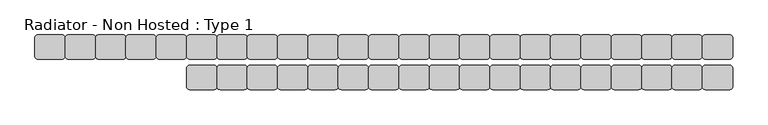
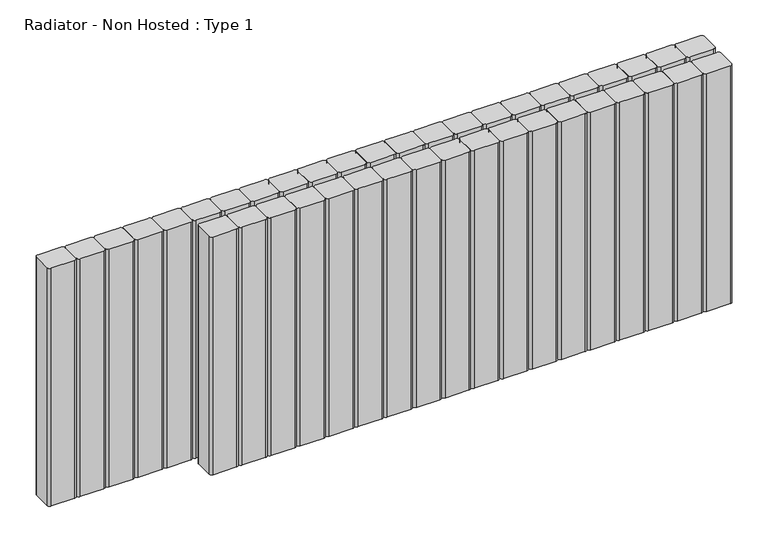
"""IFC4 building model written with IfcOpenShell, lengths in millimetres: proxy geometry, Radiator - Non Hosted : Type 1."""

from ifc_helpers import new_model, si_unit, point, frame, frame_2d, origin, place, context, project, spatial, polyline, circle_curve, trimmed, segment, composite_curve, outline, extrude, source, transform, mapped, element, save


def radiator_non_hosted_type_1_5bd8a2b4(model_context):
    return source(origin(), model_context, "Body", "SweptSolid", [
        extrude(outline(composite_curve([segment(trimmed(circle_curve(frame_2d((1495.0, 115.0)), 5.0), [point((1495.0, 120.0))], [point((1500.0, 115.0))], False, "CARTESIAN"), True, "CONTINUOUS"), segment(polyline([(1500.0, 115.0), (1500.0, 85.0)]), True, "CONTINUOUS"), segment(trimmed(circle_curve(frame_2d((1495.0, 85.0)), 5.0), [point((1500.0, 85.0))], [point((1495.0, 80.0))], False, "CARTESIAN"), True, "CONTINUOUS"), segment(polyline([(1495.0, 80.0), (1455.0, 80.0)]), True, "CONTINUOUS"), segment(trimmed(circle_curve(frame_2d((1455.0, 85.0)), 5.0), [point((1455.0, 80.0))], [point((1450.0, 85.0))], False, "CARTESIAN"), True, "CONTINUOUS"), segment(polyline([(1450.0, 85.0), (1450.0, 115.0)]), True, "CONTINUOUS"), segment(trimmed(circle_curve(frame_2d((1455.0, 115.0)), 5.0), [point((1450.0, 115.0))], [point((1455.0, 120.0))], False, "CARTESIAN"), True, "CONTINUOUS"), segment(polyline([(1455.0, 120.0), (1495.0, 120.0)]), True, "CONTINUOUS")], self_intersect=False)), frame((0.0, 0.0, 100.0), z_axis=(0.0, 0.0, 1.0), x_axis=(1.0, 0.0, 0.0)), (0.0, 0.0, 1.0), 433.1772759),
        extrude(outline(composite_curve([segment(trimmed(circle_curve(frame_2d((1445.0, 115.0)), 5.0), [point((1445.0, 120.0))], [point((1450.0, 115.0))], False, "CARTESIAN"), True, "CONTINUOUS"), segment(polyline([(1450.0, 115.0), (1450.0, 85.0)]), True, "CONTINUOUS"), segment(trimmed(circle_curve(frame_2d((1445.0, 85.0)), 5.0), [point((1450.0, 85.0))], [point((1445.0, 80.0))], False, "CARTESIAN"), True, "CONTINUOUS"), segment(polyline([(1445.0, 80.0), (1405.0, 80.0)]), True, "CONTINUOUS"), segment(trimmed(circle_curve(frame_2d((1405.0, 85.0)), 5.0), [point((1405.0, 80.0))], [point((1400.0, 85.0))], False, "CARTESIAN"), True, "CONTINUOUS"), segment(polyline([(1400.0, 85.0), (1400.0, 115.0)]), True, "CONTINUOUS"), segment(trimmed(circle_curve(frame_2d((1405.0, 115.0)), 5.0), [point((1400.0, 115.0))], [point((1405.0, 120.0))], False, "CARTESIAN"), True, "CONTINUOUS"), segment(polyline([(1405.0, 120.0), (1445.0, 120.0)]), True, "CONTINUOUS")], self_intersect=False)), frame((0.0, 0.0, 100.0), z_axis=(0.0, 0.0, 1.0), x_axis=(1.0, 0.0, 0.0)), (0.0, 0.0, 1.0), 433.1772759),
        extrude(outline(composite_curve([segment(trimmed(circle_curve(frame_2d((1395.0, 115.0)), 5.0), [point((1395.0, 120.0))], [point((1400.0, 115.0))], False, "CARTESIAN"), True, "CONTINUOUS"), segment(polyline([(1400.0, 115.0), (1400.0, 85.0)]), True, "CONTINUOUS"), segment(trimmed(circle_curve(frame_2d((1395.0, 85.0)), 5.0), [point((1400.0, 85.0))], [point((1395.0, 80.0))], False, "CARTESIAN"), True, "CONTINUOUS"), segment(polyline([(1395.0, 80.0), (1355.0, 80.0)]), True, "CONTINUOUS"), segment(trimmed(circle_curve(frame_2d((1355.0, 85.0)), 5.0), [point((1355.0, 80.0))], [point((1350.0, 85.0))], False, "CARTESIAN"), True, "CONTINUOUS"), segment(polyline([(1350.0, 85.0), (1350.0, 115.0)]), True, "CONTINUOUS"), segment(trimmed(circle_curve(frame_2d((1355.0, 115.0)), 5.0), [point((1350.0, 115.0))], [point((1355.0, 120.0))], False, "CARTESIAN"), True, "CONTINUOUS"), segment(polyline([(1355.0, 120.0), (1395.0, 120.0)]), True, "CONTINUOUS")], self_intersect=False)), frame((0.0, 0.0, 100.0), z_axis=(0.0, 0.0, 1.0), x_axis=(1.0, 0.0, 0.0)), (0.0, 0.0, 1.0), 433.1772759),
        extrude(outline(composite_curve([segment(trimmed(circle_curve(frame_2d((1345.0, 115.0)), 5.0), [point((1345.0, 120.0))], [point((1350.0, 115.0))], False, "CARTESIAN"), True, "CONTINUOUS"), segment(polyline([(1350.0, 115.0), (1350.0, 85.0)]), True, "CONTINUOUS"), segment(trimmed(circle_curve(frame_2d((1345.0, 85.0)), 5.0), [point((1350.0, 85.0))], [point((1345.0, 80.0))], False, "CARTESIAN"), True, "CONTINUOUS"), segment(polyline([(1345.0, 80.0), (1305.0, 80.0)]), True, "CONTINUOUS"), segment(trimmed(circle_curve(frame_2d((1305.0, 85.0)), 5.0), [point((1305.0, 80.0))], [point((1300.0, 85.0))], False, "CARTESIAN"), True, "CONTINUOUS"), segment(polyline([(1300.0, 85.0), (1300.0, 115.0)]), True, "CONTINUOUS"), segment(trimmed(circle_curve(frame_2d((1305.0, 115.0)), 5.0), [point((1300.0, 115.0))], [point((1305.0, 120.0))], False, "CARTESIAN"), True, "CONTINUOUS"), segment(polyline([(1305.0, 120.0), (1345.0, 120.0)]), True, "CONTINUOUS")], self_intersect=False)), frame((0.0, 0.0, 100.0), z_axis=(0.0, 0.0, 1.0), x_axis=(1.0, 0.0, 0.0)), (0.0, 0.0, 1.0), 433.1772759),
        extrude(outline(composite_curve([segment(trimmed(circle_curve(frame_2d((1295.0, 115.0)), 5.0), [point((1295.0, 120.0))], [point((1300.0, 115.0))], False, "CARTESIAN"), True, "CONTINUOUS"), segment(polyline([(1300.0, 115.0), (1300.0, 85.0)]), True, "CONTINUOUS"), segment(trimmed(circle_curve(frame_2d((1295.0, 85.0)), 5.0), [point((1300.0, 85.0))], [point((1295.0, 80.0))], False, "CARTESIAN"), True, "CONTINUOUS"), segment(polyline([(1295.0, 80.0), (1255.0, 80.0)]), True, "CONTINUOUS"), segment(trimmed(circle_curve(frame_2d((1255.0, 85.0)), 5.0), [point((1255.0, 80.0))], [point((1250.0, 85.0))], False, "CARTESIAN"), True, "CONTINUOUS"), segment(polyline([(1250.0, 85.0), (1250.0, 115.0)]), True, "CONTINUOUS"), segment(trimmed(circle_curve(frame_2d((1255.0, 115.0)), 5.0), [point((1250.0, 115.0))], [point((1255.0, 120.0))], False, "CARTESIAN"), True, "CONTINUOUS"), segment(polyline([(1255.0, 120.0), (1295.0, 120.0)]), True, "CONTINUOUS")], self_intersect=False)), frame((0.0, 0.0, 100.0), z_axis=(0.0, 0.0, 1.0), x_axis=(1.0, 0.0, 0.0)), (0.0, 0.0, 1.0), 433.1772759),
        extrude(outline(composite_curve([segment(trimmed(circle_curve(frame_2d((1245.0, 115.0)), 5.0), [point((1245.0, 120.0))], [point((1250.0, 115.0))], False, "CARTESIAN"), True, "CONTINUOUS"), segment(polyline([(1250.0, 115.0), (1250.0, 85.0)]), True, "CONTINUOUS"), segment(trimmed(circle_curve(frame_2d((1245.0, 85.0)), 5.0), [point((1250.0, 85.0))], [point((1245.0, 80.0))], False, "CARTESIAN"), True, "CONTINUOUS"), segment(polyline([(1245.0, 80.0), (1205.0, 80.0)]), True, "CONTINUOUS"), segment(trimmed(circle_curve(frame_2d((1205.0, 85.0)), 5.0), [point((1205.0, 80.0))], [point((1200.0, 85.0))], False, "CARTESIAN"), True, "CONTINUOUS"), segment(polyline([(1200.0, 85.0), (1200.0, 115.0)]), True, "CONTINUOUS"), segment(trimmed(circle_curve(frame_2d((1205.0, 115.0)), 5.0), [point((1200.0, 115.0))], [point((1205.0, 120.0))], False, "CARTESIAN"), True, "CONTINUOUS"), segment(polyline([(1205.0, 120.0), (1245.0, 120.0)]), True, "CONTINUOUS")], self_intersect=False)), frame((0.0, 0.0, 100.0), z_axis=(0.0, 0.0, 1.0), x_axis=(1.0, 0.0, 0.0)), (0.0, 0.0, 1.0), 433.1772759),
        extrude(outline(composite_curve([segment(trimmed(circle_curve(frame_2d((1195.0, 115.0)), 5.0), [point((1195.0, 120.0))], [point((1200.0, 115.0))], False, "CARTESIAN"), True, "CONTINUOUS"), segment(polyline([(1200.0, 115.0), (1200.0, 85.0)]), True, "CONTINUOUS"), segment(trimmed(circle_curve(frame_2d((1195.0, 85.0)), 5.0), [point((1200.0, 85.0))], [point((1195.0, 80.0))], False, "CARTESIAN"), True, "CONTINUOUS"), segment(polyline([(1195.0, 80.0), (1155.0, 80.0)]), True, "CONTINUOUS"), segment(trimmed(circle_curve(frame_2d((1155.0, 85.0)), 5.0), [point((1155.0, 80.0))], [point((1150.0, 85.0))], False, "CARTESIAN"), True, "CONTINUOUS"), segment(polyline([(1150.0, 85.0), (1150.0, 115.0)]), True, "CONTINUOUS"), segment(trimmed(circle_curve(frame_2d((1155.0, 115.0)), 5.0), [point((1150.0, 115.0))], [point((1155.0, 120.0))], False, "CARTESIAN"), True, "CONTINUOUS"), segment(polyline([(1155.0, 120.0), (1195.0, 120.0)]), True, "CONTINUOUS")], self_intersect=False)), frame((0.0, 0.0, 100.0), z_axis=(0.0, 0.0, 1.0), x_axis=(1.0, 0.0, 0.0)), (0.0, 0.0, 1.0), 433.1772759),
        extrude(outline(composite_curve([segment(trimmed(circle_curve(frame_2d((1145.0, 115.0)), 5.0), [point((1145.0, 120.0))], [point((1150.0, 115.0))], False, "CARTESIAN"), True, "CONTINUOUS"), segment(polyline([(1150.0, 115.0), (1150.0, 85.0)]), True, "CONTINUOUS"), segment(trimmed(circle_curve(frame_2d((1145.0, 85.0)), 5.0), [point((1150.0, 85.0))], [point((1145.0, 80.0))], False, "CARTESIAN"), True, "CONTINUOUS"), segment(polyline([(1145.0, 80.0), (1105.0, 80.0)]), True, "CONTINUOUS"), segment(trimmed(circle_curve(frame_2d((1105.0, 85.0)), 5.0), [point((1105.0, 80.0))], [point((1100.0, 85.0))], False, "CARTESIAN"), True, "CONTINUOUS"), segment(polyline([(1100.0, 85.0), (1100.0, 115.0)]), True, "CONTINUOUS"), segment(trimmed(circle_curve(frame_2d((1105.0, 115.0)), 5.0), [point((1100.0, 115.0))], [point((1105.0, 120.0))], False, "CARTESIAN"), True, "CONTINUOUS"), segment(polyline([(1105.0, 120.0), (1145.0, 120.0)]), True, "CONTINUOUS")], self_intersect=False)), frame((0.0, 0.0, 100.0), z_axis=(0.0, 0.0, 1.0), x_axis=(1.0, 0.0, 0.0)), (0.0, 0.0, 1.0), 433.1772759),
        extrude(outline(composite_curve([segment(trimmed(circle_curve(frame_2d((1095.0, 115.0)), 5.0), [point((1095.0, 120.0))], [point((1100.0, 115.0))], False, "CARTESIAN"), True, "CONTINUOUS"), segment(polyline([(1100.0, 115.0), (1100.0, 85.0)]), True, "CONTINUOUS"), segment(trimmed(circle_curve(frame_2d((1095.0, 85.0)), 5.0), [point((1100.0, 85.0))], [point((1095.0, 80.0))], False, "CARTESIAN"), True, "CONTINUOUS"), segment(polyline([(1095.0, 80.0), (1055.0, 80.0)]), True, "CONTINUOUS"), segment(trimmed(circle_curve(frame_2d((1055.0, 85.0)), 5.0), [point((1055.0, 80.0))], [point((1050.0, 85.0))], False, "CARTESIAN"), True, "CONTINUOUS"), segment(polyline([(1050.0, 85.0), (1050.0, 115.0)]), True, "CONTINUOUS"), segment(trimmed(circle_curve(frame_2d((1055.0, 115.0)), 5.0), [point((1050.0, 115.0))], [point((1055.0, 120.0))], False, "CARTESIAN"), True, "CONTINUOUS"), segment(polyline([(1055.0, 120.0), (1095.0, 120.0)]), True, "CONTINUOUS")], self_intersect=False)), frame((0.0, 0.0, 100.0), z_axis=(0.0, 0.0, 1.0), x_axis=(1.0, 0.0, 0.0)), (0.0, 0.0, 1.0), 433.1772759),
        extrude(outline(composite_curve([segment(trimmed(circle_curve(frame_2d((1045.0, 115.0)), 5.0), [point((1045.0, 120.0))], [point((1050.0, 115.0))], False, "CARTESIAN"), True, "CONTINUOUS"), segment(polyline([(1050.0, 115.0), (1050.0, 85.0)]), True, "CONTINUOUS"), segment(trimmed(circle_curve(frame_2d((1045.0, 85.0)), 5.0), [point((1050.0, 85.0))], [point((1045.0, 80.0))], False, "CARTESIAN"), True, "CONTINUOUS"), segment(polyline([(1045.0, 80.0), (1005.0, 80.0)]), True, "CONTINUOUS"), segment(trimmed(circle_curve(frame_2d((1005.0, 85.0)), 5.0), [point((1005.0, 80.0))], [point((1000.0, 85.0))], False, "CARTESIAN"), True, "CONTINUOUS"), segment(polyline([(1000.0, 85.0), (1000.0, 115.0)]), True, "CONTINUOUS"), segment(trimmed(circle_curve(frame_2d((1005.0, 115.0)), 5.0), [point((1000.0, 115.0))], [point((1005.0, 120.0))], False, "CARTESIAN"), True, "CONTINUOUS"), segment(polyline([(1005.0, 120.0), (1045.0, 120.0)]), True, "CONTINUOUS")], self_intersect=False)), frame((0.0, 0.0, 100.0), z_axis=(0.0, 0.0, 1.0), x_axis=(1.0, 0.0, 0.0)), (0.0, 0.0, 1.0), 433.1772759),
        extrude(outline(composite_curve([segment(trimmed(circle_curve(frame_2d((995.0, 115.0)), 5.0), [point((995.0, 120.0))], [point((1000.0, 115.0))], False, "CARTESIAN"), True, "CONTINUOUS"), segment(polyline([(1000.0, 115.0), (1000.0, 85.0)]), True, "CONTINUOUS"), segment(trimmed(circle_curve(frame_2d((995.0, 85.0)), 5.0), [point((1000.0, 85.0))], [point((995.0, 80.0))], False, "CARTESIAN"), True, "CONTINUOUS"), segment(polyline([(995.0, 80.0), (955.0, 80.0)]), True, "CONTINUOUS"), segment(trimmed(circle_curve(frame_2d((955.0, 85.0)), 5.0), [point((955.0, 80.0))], [point((950.0, 85.0))], False, "CARTESIAN"), True, "CONTINUOUS"), segment(polyline([(950.0, 85.0), (950.0, 115.0)]), True, "CONTINUOUS"), segment(trimmed(circle_curve(frame_2d((955.0, 115.0)), 5.0), [point((950.0, 115.0))], [point((955.0, 120.0))], False, "CARTESIAN"), True, "CONTINUOUS"), segment(polyline([(955.0, 120.0), (995.0, 120.0)]), True, "CONTINUOUS")], self_intersect=False)), frame((0.0, 0.0, 100.0), z_axis=(0.0, 0.0, 1.0), x_axis=(1.0, 0.0, 0.0)), (0.0, 0.0, 1.0), 433.1772759),
        extrude(outline(composite_curve([segment(trimmed(circle_curve(frame_2d((945.0, 115.0)), 5.0), [point((945.0, 120.0))], [point((950.0, 115.0))], False, "CARTESIAN"), True, "CONTINUOUS"), segment(polyline([(950.0, 115.0), (950.0, 85.0)]), True, "CONTINUOUS"), segment(trimmed(circle_curve(frame_2d((945.0, 85.0)), 5.0), [point((950.0, 85.0))], [point((945.0, 80.0))], False, "CARTESIAN"), True, "CONTINUOUS"), segment(polyline([(945.0, 80.0), (905.0, 80.0)]), True, "CONTINUOUS"), segment(trimmed(circle_curve(frame_2d((905.0, 85.0)), 5.0), [point((905.0, 80.0))], [point((900.0, 85.0))], False, "CARTESIAN"), True, "CONTINUOUS"), segment(polyline([(900.0, 85.0), (900.0, 115.0)]), True, "CONTINUOUS"), segment(trimmed(circle_curve(frame_2d((905.0, 115.0)), 5.0), [point((900.0, 115.0))], [point((905.0, 120.0))], False, "CARTESIAN"), True, "CONTINUOUS"), segment(polyline([(905.0, 120.0), (945.0, 120.0)]), True, "CONTINUOUS")], self_intersect=False)), frame((0.0, 0.0, 100.0), z_axis=(0.0, 0.0, 1.0), x_axis=(1.0, 0.0, 0.0)), (0.0, 0.0, 1.0), 433.1772759),
        extrude(outline(composite_curve([segment(trimmed(circle_curve(frame_2d((895.0, 115.0)), 5.0), [point((895.0, 120.0))], [point((900.0, 115.0))], False, "CARTESIAN"), True, "CONTINUOUS"), segment(polyline([(900.0, 115.0), (900.0, 85.0)]), True, "CONTINUOUS"), segment(trimmed(circle_curve(frame_2d((895.0, 85.0)), 5.0), [point((900.0, 85.0))], [point((895.0, 80.0))], False, "CARTESIAN"), True, "CONTINUOUS"), segment(polyline([(895.0, 80.0), (855.0, 80.0)]), True, "CONTINUOUS"), segment(trimmed(circle_curve(frame_2d((855.0, 85.0)), 5.0), [point((855.0, 80.0))], [point((850.0, 85.0))], False, "CARTESIAN"), True, "CONTINUOUS"), segment(polyline([(850.0, 85.0), (850.0, 115.0)]), True, "CONTINUOUS"), segment(trimmed(circle_curve(frame_2d((855.0, 115.0)), 5.0), [point((850.0, 115.0))], [point((855.0, 120.0))], False, "CARTESIAN"), True, "CONTINUOUS"), segment(polyline([(855.0, 120.0), (895.0, 120.0)]), True, "CONTINUOUS")], self_intersect=False)), frame((0.0, 0.0, 100.0), z_axis=(0.0, 0.0, 1.0), x_axis=(1.0, 0.0, 0.0)), (0.0, 0.0, 1.0), 433.1772759),
        extrude(outline(composite_curve([segment(trimmed(circle_curve(frame_2d((845.0, 115.0)), 5.0), [point((845.0, 120.0))], [point((850.0, 115.0))], False, "CARTESIAN"), True, "CONTINUOUS"), segment(polyline([(850.0, 115.0), (850.0, 85.0)]), True, "CONTINUOUS"), segment(trimmed(circle_curve(frame_2d((845.0, 85.0)), 5.0), [point((850.0, 85.0))], [point((845.0, 80.0))], False, "CARTESIAN"), True, "CONTINUOUS"), segment(polyline([(845.0, 80.0), (805.0, 80.0)]), True, "CONTINUOUS"), segment(trimmed(circle_curve(frame_2d((805.0, 85.0)), 5.0), [point((805.0, 80.0))], [point((800.0, 85.0))], False, "CARTESIAN"), True, "CONTINUOUS"), segment(polyline([(800.0, 85.0), (800.0, 115.0)]), True, "CONTINUOUS"), segment(trimmed(circle_curve(frame_2d((805.0, 115.0)), 5.0), [point((800.0, 115.0))], [point((805.0, 120.0))], False, "CARTESIAN"), True, "CONTINUOUS"), segment(polyline([(805.0, 120.0), (845.0, 120.0)]), True, "CONTINUOUS")], self_intersect=False)), frame((0.0, 0.0, 100.0), z_axis=(0.0, 0.0, 1.0), x_axis=(1.0, 0.0, 0.0)), (0.0, 0.0, 1.0), 433.1772759),
        extrude(outline(composite_curve([segment(trimmed(circle_curve(frame_2d((795.0, 115.0)), 5.0), [point((795.0, 120.0))], [point((800.0, 115.0))], False, "CARTESIAN"), True, "CONTINUOUS"), segment(polyline([(800.0, 115.0), (800.0, 85.0)]), True, "CONTINUOUS"), segment(trimmed(circle_curve(frame_2d((795.0, 85.0)), 5.0), [point((800.0, 85.0))], [point((795.0, 80.0))], False, "CARTESIAN"), True, "CONTINUOUS"), segment(polyline([(795.0, 80.0), (755.0, 80.0)]), True, "CONTINUOUS"), segment(trimmed(circle_curve(frame_2d((755.0, 85.0)), 5.0), [point((755.0, 80.0))], [point((750.0, 85.0))], False, "CARTESIAN"), True, "CONTINUOUS"), segment(polyline([(750.0, 85.0), (750.0, 115.0)]), True, "CONTINUOUS"), segment(trimmed(circle_curve(frame_2d((755.0, 115.0)), 5.0), [point((750.0, 115.0))], [point((755.0, 120.0))], False, "CARTESIAN"), True, "CONTINUOUS"), segment(polyline([(755.0, 120.0), (795.0, 120.0)]), True, "CONTINUOUS")], self_intersect=False)), frame((0.0, 0.0, 100.0), z_axis=(0.0, 0.0, 1.0), x_axis=(1.0, 0.0, 0.0)), (0.0, 0.0, 1.0), 433.1772759),
        extrude(outline(composite_curve([segment(trimmed(circle_curve(frame_2d((745.0, 115.0)), 5.0), [point((745.0, 120.0))], [point((750.0, 115.0))], False, "CARTESIAN"), True, "CONTINUOUS"), segment(polyline([(750.0, 115.0), (750.0, 85.0)]), True, "CONTINUOUS"), segment(trimmed(circle_curve(frame_2d((745.0, 85.0)), 5.0), [point((750.0, 85.0))], [point((745.0, 80.0))], False, "CARTESIAN"), True, "CONTINUOUS"), segment(polyline([(745.0, 80.0), (705.0, 80.0)]), True, "CONTINUOUS"), segment(trimmed(circle_curve(frame_2d((705.0, 85.0)), 5.0), [point((705.0, 80.0))], [point((700.0, 85.0))], False, "CARTESIAN"), True, "CONTINUOUS"), segment(polyline([(700.0, 85.0), (700.0, 115.0)]), True, "CONTINUOUS"), segment(trimmed(circle_curve(frame_2d((705.0, 115.0)), 5.0), [point((700.0, 115.0))], [point((705.0, 120.0))], False, "CARTESIAN"), True, "CONTINUOUS"), segment(polyline([(705.0, 120.0), (745.0, 120.0)]), True, "CONTINUOUS")], self_intersect=False)), frame((0.0, 0.0, 100.0), z_axis=(0.0, 0.0, 1.0), x_axis=(1.0, 0.0, 0.0)), (0.0, 0.0, 1.0), 433.1772759),
        extrude(outline(composite_curve([segment(trimmed(circle_curve(frame_2d((695.0, 115.0)), 5.0), [point((695.0, 120.0))], [point((700.0, 115.0))], False, "CARTESIAN"), True, "CONTINUOUS"), segment(polyline([(700.0, 115.0), (700.0, 85.0)]), True, "CONTINUOUS"), segment(trimmed(circle_curve(frame_2d((695.0, 85.0)), 5.0), [point((700.0, 85.0))], [point((695.0, 80.0))], False, "CARTESIAN"), True, "CONTINUOUS"), segment(polyline([(695.0, 80.0), (655.0, 80.0)]), True, "CONTINUOUS"), segment(trimmed(circle_curve(frame_2d((655.0, 85.0)), 5.0), [point((655.0, 80.0))], [point((650.0, 85.0))], False, "CARTESIAN"), True, "CONTINUOUS"), segment(polyline([(650.0, 85.0), (650.0, 115.0)]), True, "CONTINUOUS"), segment(trimmed(circle_curve(frame_2d((655.0, 115.0)), 5.0), [point((650.0, 115.0))], [point((655.0, 120.0))], False, "CARTESIAN"), True, "CONTINUOUS"), segment(polyline([(655.0, 120.0), (695.0, 120.0)]), True, "CONTINUOUS")], self_intersect=False)), frame((0.0, 0.0, 100.0), z_axis=(0.0, 0.0, 1.0), x_axis=(1.0, 0.0, 0.0)), (0.0, 0.0, 1.0), 433.1772759),
        extrude(outline(composite_curve([segment(trimmed(circle_curve(frame_2d((645.0, 115.0)), 5.0), [point((645.0, 120.0))], [point((650.0, 115.0))], False, "CARTESIAN"), True, "CONTINUOUS"), segment(polyline([(650.0, 115.0), (650.0, 85.0)]), True, "CONTINUOUS"), segment(trimmed(circle_curve(frame_2d((645.0, 85.0)), 5.0), [point((650.0, 85.0))], [point((645.0, 80.0))], False, "CARTESIAN"), True, "CONTINUOUS"), segment(polyline([(645.0, 80.0), (605.0, 80.0)]), True, "CONTINUOUS"), segment(trimmed(circle_curve(frame_2d((605.0, 85.0)), 5.0), [point((605.0, 80.0))], [point((600.0, 85.0))], False, "CARTESIAN"), True, "CONTINUOUS"), segment(polyline([(600.0, 85.0), (600.0, 115.0)]), True, "CONTINUOUS"), segment(trimmed(circle_curve(frame_2d((605.0, 115.0)), 5.0), [point((600.0, 115.0))], [point((605.0, 120.0))], False, "CARTESIAN"), True, "CONTINUOUS"), segment(polyline([(605.0, 120.0), (645.0, 120.0)]), True, "CONTINUOUS")], self_intersect=False)), frame((0.0, 0.0, 100.0), z_axis=(0.0, 0.0, 1.0), x_axis=(1.0, 0.0, 0.0)), (0.0, 0.0, 1.0), 433.1772759),
        extrude(outline(composite_curve([segment(trimmed(circle_curve(frame_2d((1495.0, 65.0)), 5.0), [point((1495.0, 70.0))], [point((1500.0, 65.0))], False, "CARTESIAN"), True, "CONTINUOUS"), segment(polyline([(1500.0, 65.0), (1500.0, 35.0)]), True, "CONTINUOUS"), segment(trimmed(circle_curve(frame_2d((1495.0, 35.0)), 5.0), [point((1500.0, 35.0))], [point((1495.0, 30.0))], False, "CARTESIAN"), True, "CONTINUOUS"), segment(polyline([(1495.0, 30.0), (1455.0, 30.0)]), True, "CONTINUOUS"), segment(trimmed(circle_curve(frame_2d((1455.0, 35.0)), 5.0), [point((1455.0, 30.0))], [point((1450.0, 35.0))], False, "CARTESIAN"), True, "CONTINUOUS"), segment(polyline([(1450.0, 35.0), (1450.0, 65.0)]), True, "CONTINUOUS"), segment(trimmed(circle_curve(frame_2d((1455.0, 65.0)), 5.0), [point((1450.0, 65.0))], [point((1455.0, 70.0))], False, "CARTESIAN"), True, "CONTINUOUS"), segment(polyline([(1455.0, 70.0), (1495.0, 70.0)]), True, "CONTINUOUS")], self_intersect=False)), frame((0.0, 0.0, 100.0), z_axis=(0.0, 0.0, 1.0), x_axis=(1.0, 0.0, 0.0)), (0.0, 0.0, 1.0), 433.1772759),
        extrude(outline(composite_curve([segment(trimmed(circle_curve(frame_2d((1445.0, 65.0)), 5.0), [point((1445.0, 70.0))], [point((1450.0, 65.0))], False, "CARTESIAN"), True, "CONTINUOUS"), segment(polyline([(1450.0, 65.0), (1450.0, 35.0)]), True, "CONTINUOUS"), segment(trimmed(circle_curve(frame_2d((1445.0, 35.0)), 5.0), [point((1450.0, 35.0))], [point((1445.0, 30.0))], False, "CARTESIAN"), True, "CONTINUOUS"), segment(polyline([(1445.0, 30.0), (1405.0, 30.0)]), True, "CONTINUOUS"), segment(trimmed(circle_curve(frame_2d((1405.0, 35.0)), 5.0), [point((1405.0, 30.0))], [point((1400.0, 35.0))], False, "CARTESIAN"), True, "CONTINUOUS"), segment(polyline([(1400.0, 35.0), (1400.0, 65.0)]), True, "CONTINUOUS"), segment(trimmed(circle_curve(frame_2d((1405.0, 65.0)), 5.0), [point((1400.0, 65.0))], [point((1405.0, 70.0))], False, "CARTESIAN"), True, "CONTINUOUS"), segment(polyline([(1405.0, 70.0), (1445.0, 70.0)]), True, "CONTINUOUS")], self_intersect=False)), frame((0.0, 0.0, 100.0), z_axis=(0.0, 0.0, 1.0), x_axis=(1.0, 0.0, 0.0)), (0.0, 0.0, 1.0), 433.1772759),
        extrude(outline(composite_curve([segment(trimmed(circle_curve(frame_2d((1395.0, 65.0)), 5.0), [point((1395.0, 70.0))], [point((1400.0, 65.0))], False, "CARTESIAN"), True, "CONTINUOUS"), segment(polyline([(1400.0, 65.0), (1400.0, 35.0)]), True, "CONTINUOUS"), segment(trimmed(circle_curve(frame_2d((1395.0, 35.0)), 5.0), [point((1400.0, 35.0))], [point((1395.0, 30.0))], False, "CARTESIAN"), True, "CONTINUOUS"), segment(polyline([(1395.0, 30.0), (1355.0, 30.0)]), True, "CONTINUOUS"), segment(trimmed(circle_curve(frame_2d((1355.0, 35.0)), 5.0), [point((1355.0, 30.0))], [point((1350.0, 35.0))], False, "CARTESIAN"), True, "CONTINUOUS"), segment(polyline([(1350.0, 35.0), (1350.0, 65.0)]), True, "CONTINUOUS"), segment(trimmed(circle_curve(frame_2d((1355.0, 65.0)), 5.0), [point((1350.0, 65.0))], [point((1355.0, 70.0))], False, "CARTESIAN"), True, "CONTINUOUS"), segment(polyline([(1355.0, 70.0), (1395.0, 70.0)]), True, "CONTINUOUS")], self_intersect=False)), frame((0.0, 0.0, 100.0), z_axis=(0.0, 0.0, 1.0), x_axis=(1.0, 0.0, 0.0)), (0.0, 0.0, 1.0), 433.1772759),
        extrude(outline(composite_curve([segment(trimmed(circle_curve(frame_2d((1345.0, 65.0)), 5.0), [point((1345.0, 70.0))], [point((1350.0, 65.0))], False, "CARTESIAN"), True, "CONTINUOUS"), segment(polyline([(1350.0, 65.0), (1350.0, 35.0)]), True, "CONTINUOUS"), segment(trimmed(circle_curve(frame_2d((1345.0, 35.0)), 5.0), [point((1350.0, 35.0))], [point((1345.0, 30.0))], False, "CARTESIAN"), True, "CONTINUOUS"), segment(polyline([(1345.0, 30.0), (1305.0, 30.0)]), True, "CONTINUOUS"), segment(trimmed(circle_curve(frame_2d((1305.0, 35.0)), 5.0), [point((1305.0, 30.0))], [point((1300.0, 35.0))], False, "CARTESIAN"), True, "CONTINUOUS"), segment(polyline([(1300.0, 35.0), (1300.0, 65.0)]), True, "CONTINUOUS"), segment(trimmed(circle_curve(frame_2d((1305.0, 65.0)), 5.0), [point((1300.0, 65.0))], [point((1305.0, 70.0))], False, "CARTESIAN"), True, "CONTINUOUS"), segment(polyline([(1305.0, 70.0), (1345.0, 70.0)]), True, "CONTINUOUS")], self_intersect=False)), frame((0.0, 0.0, 100.0), z_axis=(0.0, 0.0, 1.0), x_axis=(1.0, 0.0, 0.0)), (0.0, 0.0, 1.0), 433.1772759),
        extrude(outline(composite_curve([segment(trimmed(circle_curve(frame_2d((1295.0, 65.0)), 5.0), [point((1295.0, 70.0))], [point((1300.0, 65.0))], False, "CARTESIAN"), True, "CONTINUOUS"), segment(polyline([(1300.0, 65.0), (1300.0, 35.0)]), True, "CONTINUOUS"), segment(trimmed(circle_curve(frame_2d((1295.0, 35.0)), 5.0), [point((1300.0, 35.0))], [point((1295.0, 30.0))], False, "CARTESIAN"), True, "CONTINUOUS"), segment(polyline([(1295.0, 30.0), (1255.0, 30.0)]), True, "CONTINUOUS"), segment(trimmed(circle_curve(frame_2d((1255.0, 35.0)), 5.0), [point((1255.0, 30.0))], [point((1250.0, 35.0))], False, "CARTESIAN"), True, "CONTINUOUS"), segment(polyline([(1250.0, 35.0), (1250.0, 65.0)]), True, "CONTINUOUS"), segment(trimmed(circle_curve(frame_2d((1255.0, 65.0)), 5.0), [point((1250.0, 65.0))], [point((1255.0, 70.0))], False, "CARTESIAN"), True, "CONTINUOUS"), segment(polyline([(1255.0, 70.0), (1295.0, 70.0)]), True, "CONTINUOUS")], self_intersect=False)), frame((0.0, 0.0, 100.0), z_axis=(0.0, 0.0, 1.0), x_axis=(1.0, 0.0, 0.0)), (0.0, 0.0, 1.0), 433.1772759),
        extrude(outline(composite_curve([segment(trimmed(circle_curve(frame_2d((1245.0, 65.0)), 5.0), [point((1245.0, 70.0))], [point((1250.0, 65.0))], False, "CARTESIAN"), True, "CONTINUOUS"), segment(polyline([(1250.0, 65.0), (1250.0, 35.0)]), True, "CONTINUOUS"), segment(trimmed(circle_curve(frame_2d((1245.0, 35.0)), 5.0), [point((1250.0, 35.0))], [point((1245.0, 30.0))], False, "CARTESIAN"), True, "CONTINUOUS"), segment(polyline([(1245.0, 30.0), (1205.0, 30.0)]), True, "CONTINUOUS"), segment(trimmed(circle_curve(frame_2d((1205.0, 35.0)), 5.0), [point((1205.0, 30.0))], [point((1200.0, 35.0))], False, "CARTESIAN"), True, "CONTINUOUS"), segment(polyline([(1200.0, 35.0), (1200.0, 65.0)]), True, "CONTINUOUS"), segment(trimmed(circle_curve(frame_2d((1205.0, 65.0)), 5.0), [point((1200.0, 65.0))], [point((1205.0, 70.0))], False, "CARTESIAN"), True, "CONTINUOUS"), segment(polyline([(1205.0, 70.0), (1245.0, 70.0)]), True, "CONTINUOUS")], self_intersect=False)), frame((0.0, 0.0, 100.0), z_axis=(0.0, 0.0, 1.0), x_axis=(1.0, 0.0, 0.0)), (0.0, 0.0, 1.0), 433.1772759),
        extrude(outline(composite_curve([segment(trimmed(circle_curve(frame_2d((1195.0, 65.0)), 5.0), [point((1195.0, 70.0))], [point((1200.0, 65.0))], False, "CARTESIAN"), True, "CONTINUOUS"), segment(polyline([(1200.0, 65.0), (1200.0, 35.0)]), True, "CONTINUOUS"), segment(trimmed(circle_curve(frame_2d((1195.0, 35.0)), 5.0), [point((1200.0, 35.0))], [point((1195.0, 30.0))], False, "CARTESIAN"), True, "CONTINUOUS"), segment(polyline([(1195.0, 30.0), (1155.0, 30.0)]), True, "CONTINUOUS"), segment(trimmed(circle_curve(frame_2d((1155.0, 35.0)), 5.0), [point((1155.0, 30.0))], [point((1150.0, 35.0))], False, "CARTESIAN"), True, "CONTINUOUS"), segment(polyline([(1150.0, 35.0), (1150.0, 65.0)]), True, "CONTINUOUS"), segment(trimmed(circle_curve(frame_2d((1155.0, 65.0)), 5.0), [point((1150.0, 65.0))], [point((1155.0, 70.0))], False, "CARTESIAN"), True, "CONTINUOUS"), segment(polyline([(1155.0, 70.0), (1195.0, 70.0)]), True, "CONTINUOUS")], self_intersect=False)), frame((0.0, 0.0, 100.0), z_axis=(0.0, 0.0, 1.0), x_axis=(1.0, 0.0, 0.0)), (0.0, 0.0, 1.0), 433.1772759),
        extrude(outline(composite_curve([segment(trimmed(circle_curve(frame_2d((1145.0, 65.0)), 5.0), [point((1145.0, 70.0))], [point((1150.0, 65.0))], False, "CARTESIAN"), True, "CONTINUOUS"), segment(polyline([(1150.0, 65.0), (1150.0, 35.0)]), True, "CONTINUOUS"), segment(trimmed(circle_curve(frame_2d((1145.0, 35.0)), 5.0), [point((1150.0, 35.0))], [point((1145.0, 30.0))], False, "CARTESIAN"), True, "CONTINUOUS"), segment(polyline([(1145.0, 30.0), (1105.0, 30.0)]), True, "CONTINUOUS"), segment(trimmed(circle_curve(frame_2d((1105.0, 35.0)), 5.0), [point((1105.0, 30.0))], [point((1100.0, 35.0))], False, "CARTESIAN"), True, "CONTINUOUS"), segment(polyline([(1100.0, 35.0), (1100.0, 65.0)]), True, "CONTINUOUS"), segment(trimmed(circle_curve(frame_2d((1105.0, 65.0)), 5.0), [point((1100.0, 65.0))], [point((1105.0, 70.0))], False, "CARTESIAN"), True, "CONTINUOUS"), segment(polyline([(1105.0, 70.0), (1145.0, 70.0)]), True, "CONTINUOUS")], self_intersect=False)), frame((0.0, 0.0, 100.0), z_axis=(0.0, 0.0, 1.0), x_axis=(1.0, 0.0, 0.0)), (0.0, 0.0, 1.0), 433.1772759),
        extrude(outline(composite_curve([segment(trimmed(circle_curve(frame_2d((1095.0, 65.0)), 5.0), [point((1095.0, 70.0))], [point((1100.0, 65.0))], False, "CARTESIAN"), True, "CONTINUOUS"), segment(polyline([(1100.0, 65.0), (1100.0, 35.0)]), True, "CONTINUOUS"), segment(trimmed(circle_curve(frame_2d((1095.0, 35.0)), 5.0), [point((1100.0, 35.0))], [point((1095.0, 30.0))], False, "CARTESIAN"), True, "CONTINUOUS"), segment(polyline([(1095.0, 30.0), (1055.0, 30.0)]), True, "CONTINUOUS"), segment(trimmed(circle_curve(frame_2d((1055.0, 35.0)), 5.0), [point((1055.0, 30.0))], [point((1050.0, 35.0))], False, "CARTESIAN"), True, "CONTINUOUS"), segment(polyline([(1050.0, 35.0), (1050.0, 65.0)]), True, "CONTINUOUS"), segment(trimmed(circle_curve(frame_2d((1055.0, 65.0)), 5.0), [point((1050.0, 65.0))], [point((1055.0, 70.0))], False, "CARTESIAN"), True, "CONTINUOUS"), segment(polyline([(1055.0, 70.0), (1095.0, 70.0)]), True, "CONTINUOUS")], self_intersect=False)), frame((0.0, 0.0, 100.0), z_axis=(0.0, 0.0, 1.0), x_axis=(1.0, 0.0, 0.0)), (0.0, 0.0, 1.0), 433.1772759),
        extrude(outline(composite_curve([segment(trimmed(circle_curve(frame_2d((1045.0, 65.0)), 5.0), [point((1045.0, 70.0))], [point((1050.0, 65.0))], False, "CARTESIAN"), True, "CONTINUOUS"), segment(polyline([(1050.0, 65.0), (1050.0, 35.0)]), True, "CONTINUOUS"), segment(trimmed(circle_curve(frame_2d((1045.0, 35.0)), 5.0), [point((1050.0, 35.0))], [point((1045.0, 30.0))], False, "CARTESIAN"), True, "CONTINUOUS"), segment(polyline([(1045.0, 30.0), (1005.0, 30.0)]), True, "CONTINUOUS"), segment(trimmed(circle_curve(frame_2d((1005.0, 35.0)), 5.0), [point((1005.0, 30.0))], [point((1000.0, 35.0))], False, "CARTESIAN"), True, "CONTINUOUS"), segment(polyline([(1000.0, 35.0), (1000.0, 65.0)]), True, "CONTINUOUS"), segment(trimmed(circle_curve(frame_2d((1005.0, 65.0)), 5.0), [point((1000.0, 65.0))], [point((1005.0, 70.0))], False, "CARTESIAN"), True, "CONTINUOUS"), segment(polyline([(1005.0, 70.0), (1045.0, 70.0)]), True, "CONTINUOUS")], self_intersect=False)), frame((0.0, 0.0, 100.0), z_axis=(0.0, 0.0, 1.0), x_axis=(1.0, 0.0, 0.0)), (0.0, 0.0, 1.0), 433.1772759),
        extrude(outline(composite_curve([segment(trimmed(circle_curve(frame_2d((995.0, 65.0)), 5.0), [point((995.0, 70.0))], [point((1000.0, 65.0))], False, "CARTESIAN"), True, "CONTINUOUS"), segment(polyline([(1000.0, 65.0), (1000.0, 35.0)]), True, "CONTINUOUS"), segment(trimmed(circle_curve(frame_2d((995.0, 35.0)), 5.0), [point((1000.0, 35.0))], [point((995.0, 30.0))], False, "CARTESIAN"), True, "CONTINUOUS"), segment(polyline([(995.0, 30.0), (955.0, 30.0)]), True, "CONTINUOUS"), segment(trimmed(circle_curve(frame_2d((955.0, 35.0)), 5.0), [point((955.0, 30.0))], [point((950.0, 35.0))], False, "CARTESIAN"), True, "CONTINUOUS"), segment(polyline([(950.0, 35.0), (950.0, 65.0)]), True, "CONTINUOUS"), segment(trimmed(circle_curve(frame_2d((955.0, 65.0)), 5.0), [point((950.0, 65.0))], [point((955.0, 70.0))], False, "CARTESIAN"), True, "CONTINUOUS"), segment(polyline([(955.0, 70.0), (995.0, 70.0)]), True, "CONTINUOUS")], self_intersect=False)), frame((0.0, 0.0, 100.0), z_axis=(0.0, 0.0, 1.0), x_axis=(1.0, 0.0, 0.0)), (0.0, 0.0, 1.0), 433.1772759),
        extrude(outline(composite_curve([segment(trimmed(circle_curve(frame_2d((945.0, 65.0)), 5.0), [point((945.0, 70.0))], [point((950.0, 65.0))], False, "CARTESIAN"), True, "CONTINUOUS"), segment(polyline([(950.0, 65.0), (950.0, 35.0)]), True, "CONTINUOUS"), segment(trimmed(circle_curve(frame_2d((945.0, 35.0)), 5.0), [point((950.0, 35.0))], [point((945.0, 30.0))], False, "CARTESIAN"), True, "CONTINUOUS"), segment(polyline([(945.0, 30.0), (905.0, 30.0)]), True, "CONTINUOUS"), segment(trimmed(circle_curve(frame_2d((905.0, 35.0)), 5.0), [point((905.0, 30.0))], [point((900.0, 35.0))], False, "CARTESIAN"), True, "CONTINUOUS"), segment(polyline([(900.0, 35.0), (900.0, 65.0)]), True, "CONTINUOUS"), segment(trimmed(circle_curve(frame_2d((905.0, 65.0)), 5.0), [point((900.0, 65.0))], [point((905.0, 70.0))], False, "CARTESIAN"), True, "CONTINUOUS"), segment(polyline([(905.0, 70.0), (945.0, 70.0)]), True, "CONTINUOUS")], self_intersect=False)), frame((0.0, 0.0, 100.0), z_axis=(0.0, 0.0, 1.0), x_axis=(1.0, 0.0, 0.0)), (0.0, 0.0, 1.0), 433.1772759),
        extrude(outline(composite_curve([segment(trimmed(circle_curve(frame_2d((895.0, 65.0)), 5.0), [point((895.0, 70.0))], [point((900.0, 65.0))], False, "CARTESIAN"), True, "CONTINUOUS"), segment(polyline([(900.0, 65.0), (900.0, 35.0)]), True, "CONTINUOUS"), segment(trimmed(circle_curve(frame_2d((895.0, 35.0)), 5.0), [point((900.0, 35.0))], [point((895.0, 30.0))], False, "CARTESIAN"), True, "CONTINUOUS"), segment(polyline([(895.0, 30.0), (855.0, 30.0)]), True, "CONTINUOUS"), segment(trimmed(circle_curve(frame_2d((855.0, 35.0)), 5.0), [point((855.0, 30.0))], [point((850.0, 35.0))], False, "CARTESIAN"), True, "CONTINUOUS"), segment(polyline([(850.0, 35.0), (850.0, 65.0)]), True, "CONTINUOUS"), segment(trimmed(circle_curve(frame_2d((855.0, 65.0)), 5.0), [point((850.0, 65.0))], [point((855.0, 70.0))], False, "CARTESIAN"), True, "CONTINUOUS"), segment(polyline([(855.0, 70.0), (895.0, 70.0)]), True, "CONTINUOUS")], self_intersect=False)), frame((0.0, 0.0, 100.0), z_axis=(0.0, 0.0, 1.0), x_axis=(1.0, 0.0, 0.0)), (0.0, 0.0, 1.0), 433.1772759),
        extrude(outline(composite_curve([segment(trimmed(circle_curve(frame_2d((845.0, 65.0)), 5.0), [point((845.0, 70.0))], [point((850.0, 65.0))], False, "CARTESIAN"), True, "CONTINUOUS"), segment(polyline([(850.0, 65.0), (850.0, 35.0)]), True, "CONTINUOUS"), segment(trimmed(circle_curve(frame_2d((845.0, 35.0)), 5.0), [point((850.0, 35.0))], [point((845.0, 30.0))], False, "CARTESIAN"), True, "CONTINUOUS"), segment(polyline([(845.0, 30.0), (805.0, 30.0)]), True, "CONTINUOUS"), segment(trimmed(circle_curve(frame_2d((805.0, 35.0)), 5.0), [point((805.0, 30.0))], [point((800.0, 35.0))], False, "CARTESIAN"), True, "CONTINUOUS"), segment(polyline([(800.0, 35.0), (800.0, 65.0)]), True, "CONTINUOUS"), segment(trimmed(circle_curve(frame_2d((805.0, 65.0)), 5.0), [point((800.0, 65.0))], [point((805.0, 70.0))], False, "CARTESIAN"), True, "CONTINUOUS"), segment(polyline([(805.0, 70.0), (845.0, 70.0)]), True, "CONTINUOUS")], self_intersect=False)), frame((0.0, 0.0, 100.0), z_axis=(0.0, 0.0, 1.0), x_axis=(1.0, 0.0, 0.0)), (0.0, 0.0, 1.0), 433.1772759),
        extrude(outline(composite_curve([segment(trimmed(circle_curve(frame_2d((795.0, 65.0)), 5.0), [point((795.0, 70.0))], [point((800.0, 65.0))], False, "CARTESIAN"), True, "CONTINUOUS"), segment(polyline([(800.0, 65.0), (800.0, 35.0)]), True, "CONTINUOUS"), segment(trimmed(circle_curve(frame_2d((795.0, 35.0)), 5.0), [point((800.0, 35.0))], [point((795.0, 30.0))], False, "CARTESIAN"), True, "CONTINUOUS"), segment(polyline([(795.0, 30.0), (755.0, 30.0)]), True, "CONTINUOUS"), segment(trimmed(circle_curve(frame_2d((755.0, 35.0)), 5.0), [point((755.0, 30.0))], [point((750.0, 35.0))], False, "CARTESIAN"), True, "CONTINUOUS"), segment(polyline([(750.0, 35.0), (750.0, 65.0)]), True, "CONTINUOUS"), segment(trimmed(circle_curve(frame_2d((755.0, 65.0)), 5.0), [point((750.0, 65.0))], [point((755.0, 70.0))], False, "CARTESIAN"), True, "CONTINUOUS"), segment(polyline([(755.0, 70.0), (795.0, 70.0)]), True, "CONTINUOUS")], self_intersect=False)), frame((0.0, 0.0, 100.0), z_axis=(0.0, 0.0, 1.0), x_axis=(1.0, 0.0, 0.0)), (0.0, 0.0, 1.0), 433.1772759),
        extrude(outline(composite_curve([segment(trimmed(circle_curve(frame_2d((745.0, 65.0)), 5.0), [point((745.0, 70.0))], [point((750.0, 65.0))], False, "CARTESIAN"), True, "CONTINUOUS"), segment(polyline([(750.0, 65.0), (750.0, 35.0)]), True, "CONTINUOUS"), segment(trimmed(circle_curve(frame_2d((745.0, 35.0)), 5.0), [point((750.0, 35.0))], [point((745.0, 30.0))], False, "CARTESIAN"), True, "CONTINUOUS"), segment(polyline([(745.0, 30.0), (705.0, 30.0)]), True, "CONTINUOUS"), segment(trimmed(circle_curve(frame_2d((705.0, 35.0)), 5.0), [point((705.0, 30.0))], [point((700.0, 35.0))], False, "CARTESIAN"), True, "CONTINUOUS"), segment(polyline([(700.0, 35.0), (700.0, 65.0)]), True, "CONTINUOUS"), segment(trimmed(circle_curve(frame_2d((705.0, 65.0)), 5.0), [point((700.0, 65.0))], [point((705.0, 70.0))], False, "CARTESIAN"), True, "CONTINUOUS"), segment(polyline([(705.0, 70.0), (745.0, 70.0)]), True, "CONTINUOUS")], self_intersect=False)), frame((0.0, 0.0, 100.0), z_axis=(0.0, 0.0, 1.0), x_axis=(1.0, 0.0, 0.0)), (0.0, 0.0, 1.0), 433.1772759),
        extrude(outline(composite_curve([segment(trimmed(circle_curve(frame_2d((695.0, 65.0)), 5.0), [point((695.0, 70.0))], [point((700.0, 65.0))], False, "CARTESIAN"), True, "CONTINUOUS"), segment(polyline([(700.0, 65.0), (700.0, 35.0)]), True, "CONTINUOUS"), segment(trimmed(circle_curve(frame_2d((695.0, 35.0)), 5.0), [point((700.0, 35.0))], [point((695.0, 30.0))], False, "CARTESIAN"), True, "CONTINUOUS"), segment(polyline([(695.0, 30.0), (655.0, 30.0)]), True, "CONTINUOUS"), segment(trimmed(circle_curve(frame_2d((655.0, 35.0)), 5.0), [point((655.0, 30.0))], [point((650.0, 35.0))], False, "CARTESIAN"), True, "CONTINUOUS"), segment(polyline([(650.0, 35.0), (650.0, 65.0)]), True, "CONTINUOUS"), segment(trimmed(circle_curve(frame_2d((655.0, 65.0)), 5.0), [point((650.0, 65.0))], [point((655.0, 70.0))], False, "CARTESIAN"), True, "CONTINUOUS"), segment(polyline([(655.0, 70.0), (695.0, 70.0)]), True, "CONTINUOUS")], self_intersect=False)), frame((0.0, 0.0, 100.0), z_axis=(0.0, 0.0, 1.0), x_axis=(1.0, 0.0, 0.0)), (0.0, 0.0, 1.0), 433.1772759),
        extrude(outline(composite_curve([segment(trimmed(circle_curve(frame_2d((645.0, 65.0)), 5.0), [point((645.0, 70.0))], [point((650.0, 65.0))], False, "CARTESIAN"), True, "CONTINUOUS"), segment(polyline([(650.0, 65.0), (650.0, 35.0)]), True, "CONTINUOUS"), segment(trimmed(circle_curve(frame_2d((645.0, 35.0)), 5.0), [point((650.0, 35.0))], [point((645.0, 30.0))], False, "CARTESIAN"), True, "CONTINUOUS"), segment(polyline([(645.0, 30.0), (605.0, 30.0)]), True, "CONTINUOUS"), segment(trimmed(circle_curve(frame_2d((605.0, 35.0)), 5.0), [point((605.0, 30.0))], [point((600.0, 35.0))], False, "CARTESIAN"), True, "CONTINUOUS"), segment(polyline([(600.0, 35.0), (600.0, 65.0)]), True, "CONTINUOUS"), segment(trimmed(circle_curve(frame_2d((605.0, 65.0)), 5.0), [point((600.0, 65.0))], [point((605.0, 70.0))], False, "CARTESIAN"), True, "CONTINUOUS"), segment(polyline([(605.0, 70.0), (645.0, 70.0)]), True, "CONTINUOUS")], self_intersect=False)), frame((0.0, 0.0, 100.0), z_axis=(0.0, 0.0, 1.0), x_axis=(1.0, 0.0, 0.0)), (0.0, 0.0, 1.0), 433.1772759),
        extrude(outline(composite_curve([segment(trimmed(circle_curve(frame_2d((595.0, 115.0)), 5.0), [point((595.0, 120.0))], [point((600.0, 115.0))], False, "CARTESIAN"), True, "CONTINUOUS"), segment(polyline([(600.0, 115.0), (600.0, 85.0)]), True, "CONTINUOUS"), segment(trimmed(circle_curve(frame_2d((595.0, 85.0)), 5.0), [point((600.0, 85.0))], [point((595.0, 80.0))], False, "CARTESIAN"), True, "CONTINUOUS"), segment(polyline([(595.0, 80.0), (555.0, 80.0)]), True, "CONTINUOUS"), segment(trimmed(circle_curve(frame_2d((555.0, 85.0)), 5.0), [point((555.0, 80.0))], [point((550.0, 85.0))], False, "CARTESIAN"), True, "CONTINUOUS"), segment(polyline([(550.0, 85.0), (550.0, 115.0)]), True, "CONTINUOUS"), segment(trimmed(circle_curve(frame_2d((555.0, 115.0)), 5.0), [point((550.0, 115.0))], [point((555.0, 120.0))], False, "CARTESIAN"), True, "CONTINUOUS"), segment(polyline([(555.0, 120.0), (595.0, 120.0)]), True, "CONTINUOUS")], self_intersect=False)), frame((0.0, 0.0, 100.0), z_axis=(0.0, 0.0, 1.0), x_axis=(1.0, 0.0, 0.0)), (0.0, 0.0, 1.0), 433.1772759),
        extrude(outline(composite_curve([segment(trimmed(circle_curve(frame_2d((545.0, 115.0)), 5.0), [point((545.0, 120.0))], [point((550.0, 115.0))], False, "CARTESIAN"), True, "CONTINUOUS"), segment(polyline([(550.0, 115.0), (550.0, 85.0)]), True, "CONTINUOUS"), segment(trimmed(circle_curve(frame_2d((545.0, 85.0)), 5.0), [point((550.0, 85.0))], [point((545.0, 80.0))], False, "CARTESIAN"), True, "CONTINUOUS"), segment(polyline([(545.0, 80.0), (505.0, 80.0)]), True, "CONTINUOUS"), segment(trimmed(circle_curve(frame_2d((505.0, 85.0)), 5.0), [point((505.0, 80.0))], [point((500.0, 85.0))], False, "CARTESIAN"), True, "CONTINUOUS"), segment(polyline([(500.0, 85.0), (500.0, 115.0)]), True, "CONTINUOUS"), segment(trimmed(circle_curve(frame_2d((505.0, 115.0)), 5.0), [point((500.0, 115.0))], [point((505.0, 120.0))], False, "CARTESIAN"), True, "CONTINUOUS"), segment(polyline([(505.0, 120.0), (545.0, 120.0)]), True, "CONTINUOUS")], self_intersect=False)), frame((0.0, 0.0, 100.0), z_axis=(0.0, 0.0, 1.0), x_axis=(1.0, 0.0, 0.0)), (0.0, 0.0, 1.0), 433.1772759),
        extrude(outline(composite_curve([segment(trimmed(circle_curve(frame_2d((495.0, 115.0)), 5.0), [point((495.0, 120.0))], [point((500.0, 115.0))], False, "CARTESIAN"), True, "CONTINUOUS"), segment(polyline([(500.0, 115.0), (500.0, 85.0)]), True, "CONTINUOUS"), segment(trimmed(circle_curve(frame_2d((495.0, 85.0)), 5.0), [point((500.0, 85.0))], [point((495.0, 80.0))], False, "CARTESIAN"), True, "CONTINUOUS"), segment(polyline([(495.0, 80.0), (455.0, 80.0)]), True, "CONTINUOUS"), segment(trimmed(circle_curve(frame_2d((455.0, 85.0)), 5.0), [point((455.0, 80.0))], [point((450.0, 85.0))], False, "CARTESIAN"), True, "CONTINUOUS"), segment(polyline([(450.0, 85.0), (450.0, 115.0)]), True, "CONTINUOUS"), segment(trimmed(circle_curve(frame_2d((455.0, 115.0)), 5.0), [point((450.0, 115.0))], [point((455.0, 120.0))], False, "CARTESIAN"), True, "CONTINUOUS"), segment(polyline([(455.0, 120.0), (495.0, 120.0)]), True, "CONTINUOUS")], self_intersect=False)), frame((0.0, 0.0, 100.0), z_axis=(0.0, 0.0, 1.0), x_axis=(1.0, 0.0, 0.0)), (0.0, 0.0, 1.0), 433.1772759),
        extrude(outline(composite_curve([segment(trimmed(circle_curve(frame_2d((445.0, 115.0)), 5.0), [point((445.0, 120.0))], [point((450.0, 115.0))], False, "CARTESIAN"), True, "CONTINUOUS"), segment(polyline([(450.0, 115.0), (450.0, 85.0)]), True, "CONTINUOUS"), segment(trimmed(circle_curve(frame_2d((445.0, 85.0)), 5.0), [point((450.0, 85.0))], [point((445.0, 80.0))], False, "CARTESIAN"), True, "CONTINUOUS"), segment(polyline([(445.0, 80.0), (405.0, 80.0)]), True, "CONTINUOUS"), segment(trimmed(circle_curve(frame_2d((405.0, 85.0)), 5.0), [point((405.0, 80.0))], [point((400.0, 85.0))], False, "CARTESIAN"), True, "CONTINUOUS"), segment(polyline([(400.0, 85.0), (400.0, 115.0)]), True, "CONTINUOUS"), segment(trimmed(circle_curve(frame_2d((405.0, 115.0)), 5.0), [point((400.0, 115.0))], [point((405.0, 120.0))], False, "CARTESIAN"), True, "CONTINUOUS"), segment(polyline([(405.0, 120.0), (445.0, 120.0)]), True, "CONTINUOUS")], self_intersect=False)), frame((0.0, 0.0, 100.0), z_axis=(0.0, 0.0, 1.0), x_axis=(1.0, 0.0, 0.0)), (0.0, 0.0, 1.0), 433.1772759),
        extrude(outline(composite_curve([segment(trimmed(circle_curve(frame_2d((395.0, 115.0)), 5.0), [point((395.0, 120.0))], [point((400.0, 115.0))], False, "CARTESIAN"), True, "CONTINUOUS"), segment(polyline([(400.0, 115.0), (400.0, 85.0)]), True, "CONTINUOUS"), segment(trimmed(circle_curve(frame_2d((395.0, 85.0)), 5.0), [point((400.0, 85.0))], [point((395.0, 80.0))], False, "CARTESIAN"), True, "CONTINUOUS"), segment(polyline([(395.0, 80.0), (355.0, 80.0)]), True, "CONTINUOUS"), segment(trimmed(circle_curve(frame_2d((355.0, 85.0)), 5.0), [point((355.0, 80.0))], [point((350.0, 85.0))], False, "CARTESIAN"), True, "CONTINUOUS"), segment(polyline([(350.0, 85.0), (350.0, 115.0)]), True, "CONTINUOUS"), segment(trimmed(circle_curve(frame_2d((355.0, 115.0)), 5.0), [point((350.0, 115.0))], [point((355.0, 120.0))], False, "CARTESIAN"), True, "CONTINUOUS"), segment(polyline([(355.0, 120.0), (395.0, 120.0)]), True, "CONTINUOUS")], self_intersect=False)), frame((0.0, 0.0, 100.0), z_axis=(0.0, 0.0, 1.0), x_axis=(1.0, 0.0, 0.0)), (0.0, 0.0, 1.0), 433.1772759),
    ])


if __name__ == "__main__":
    model = new_model("IFC4")
    model_context = context("Model", 3, world=origin())
    ifc_project = project(units=[si_unit("LENGTHUNIT", "METRE", prefix="MILLI")], contexts=[model_context])
    site = spatial("IfcSite", under=ifc_project)
    building = spatial("IfcBuilding", under=site)
    placement = place(None, origin())
    radiator_non_hosted_type_1_shape = radiator_non_hosted_type_1_5bd8a2b4(model_context)
    element("IfcBuildingElementProxy", 1, Name="Radiator - Non Hosted : Type 1", ObjectType="Radiator - Non Hosted : Type 1", at=placement, inside=building, context=model_context, shape_type="MappedRepresentation", body=[
        mapped(radiator_non_hosted_type_1_shape, transform((0.0, 0.0, 0.0), x_axis=(1.0, 0.0, 0.0), y_axis=(0.0, 1.0, 0.0), z_axis=(0.0, 0.0, 1.0))),
    ])
    save(model, "model.ifc")
